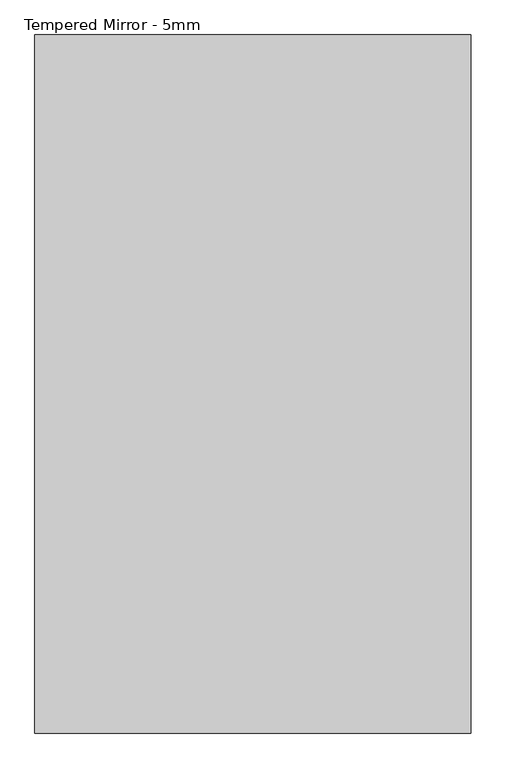
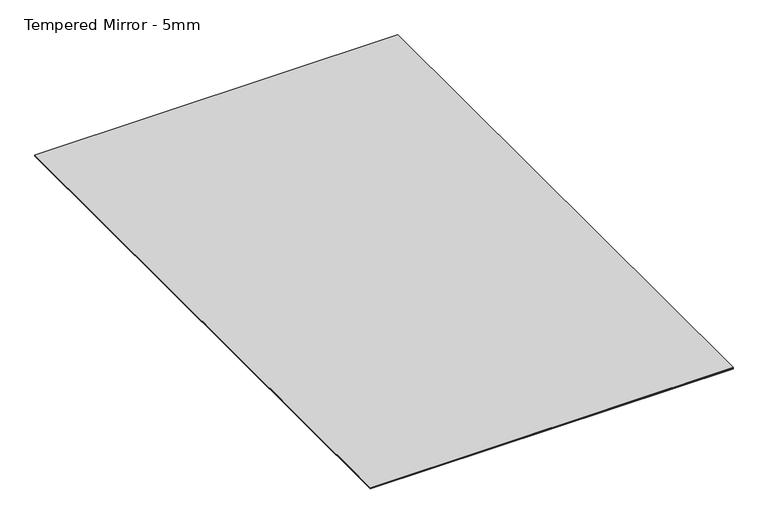
"""IFC4 building model written with IfcOpenShell, lengths in millimetres: proxy geometry, Tempered Mirror - 5mm."""

from ifc_helpers import new_model, si_unit, frame, origin, origin_with_axes, place, context, project, spatial, polyline, outline, extrude, source, transform, mapped, element, save


def tempered_mirror_5mm_dedf3274(model_context):
    return source(origin(), model_context, "Body", "SweptSolid", [
        extrude(outline(polyline([(762.0, -1219.2), (-762.0, -1219.2), (-762.0, 1219.2), (762.0, 1219.2), (762.0, -1219.2)])), frame((0.0, 0.0, 4.9609375), z_axis=(0.0, 0.0, 1.0), x_axis=(1.0, 0.0, 0.0)), (0.0, 0.0, 1.0), 0.9921875),
        extrude(outline(polyline([(762.0, 1219.2), (762.0, -1219.2), (-762.0, -1219.2), (-762.0, 1219.2), (762.0, 1219.2)])), origin_with_axes(), (0.0, 0.0, 1.0), 4.9609375),
    ])


if __name__ == "__main__":
    model = new_model("IFC4")
    model_context = context("Model", 3, world=origin())
    ifc_project = project(units=[si_unit("LENGTHUNIT", "METRE", prefix="MILLI")], contexts=[model_context])
    site = spatial("IfcSite", under=ifc_project)
    building = spatial("IfcBuilding", under=site)
    placement = place(None, origin())
    tempered_mirror_5mm_shape = tempered_mirror_5mm_dedf3274(model_context)
    element("IfcBuildingElementProxy", 1, Name="Tempered Mirror - 5mm", ObjectType="Tempered Mirror - 5mm", at=placement, inside=building, context=model_context, shape_type="MappedRepresentation", body=[
        mapped(tempered_mirror_5mm_shape, transform((0.0, 0.0, 0.0), x_axis=(1.0, 0.0, 0.0), y_axis=(0.0, 1.0, 0.0), z_axis=(0.0, 0.0, 1.0))),
    ])
    save(model, "model.ifc")
